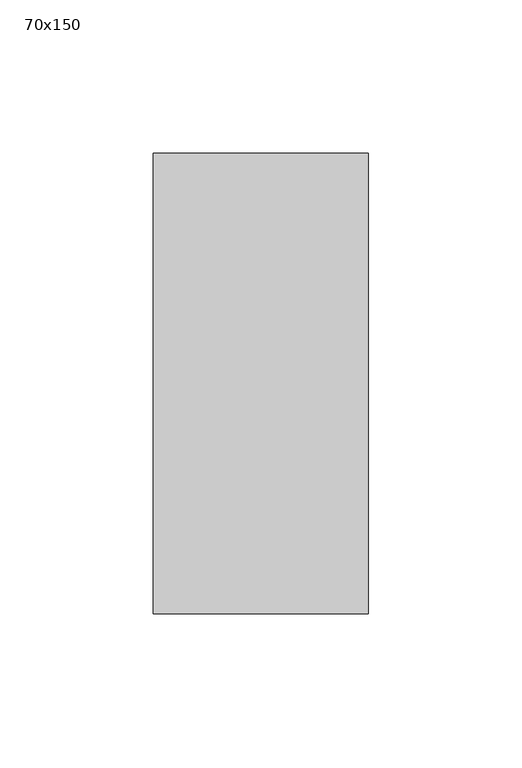
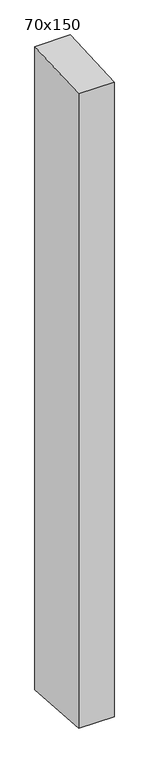
"""IFC4 building model written with IfcOpenShell, lengths in millimetres: member geometry, 70x150."""

from ifc_helpers import new_model, si_unit, frame, origin, place, context, project, spatial, polyline, outline, extrude, source, transform, mapped, element, save


def member_70x150_49631fa4(model_context):
    return source(origin(), model_context, "Body", "SweptSolid", [
        extrude(outline(polyline([(-75.0, -4.0221102), (75.0, 4.0221102), (75.0, -1340.9131056), (-75.0, -1330.8590309), (-75.0, -4.0221102)])), frame((-35.0, 0.0, 0.0), z_axis=(1.0, 0.0, 0.0), x_axis=(0.0, 1.0, 0.0)), (0.0, 0.0, 1.0), 70.0),
    ])


if __name__ == "__main__":
    model = new_model("IFC4")
    model_context = context("Model", 3, world=origin())
    ifc_project = project(units=[si_unit("LENGTHUNIT", "METRE", prefix="MILLI")], contexts=[model_context])
    site = spatial("IfcSite", under=ifc_project)
    building = spatial("IfcBuilding", under=site)
    placement = place(None, origin())
    member_70x150_shape = member_70x150_49631fa4(model_context)
    element("IfcMember", 1, ObjectType="70x150", at=placement, inside=building, context=model_context, shape_type="MappedRepresentation", body=[
        mapped(member_70x150_shape, transform((0.0, 0.0, 0.0), x_axis=(1.0, 0.0, 0.0), y_axis=(0.0, 1.0, 0.0), z_axis=(0.0, 0.0, 1.0))),
    ])
    save(model, "model.ifc")
